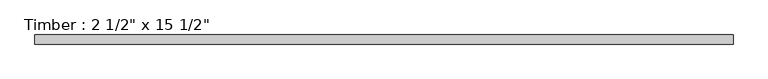
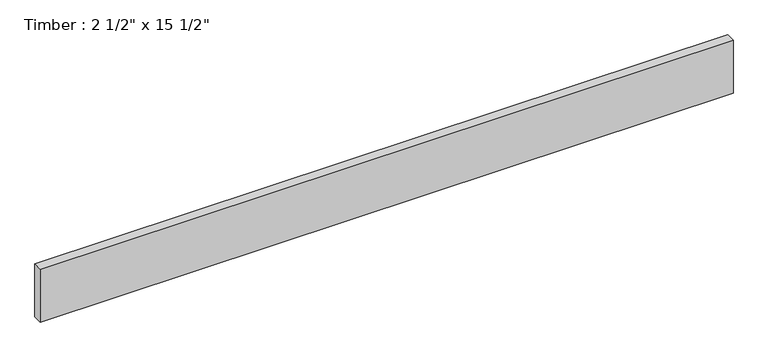
"""IFC4 building model written with IfcOpenShell, lengths in millimetres: beam geometry."""

from ifc_helpers import new_model, si_unit, frame, origin, place, context, project, spatial, polyline, outline, extrude, source, transform, mapped, element, save


def beam_1fbb2976(model_context):
    return source(origin(), model_context, "Body", "SweptSolid", [
        extrude(outline(polyline([(2436.8125, 31.75), (2436.8125, -31.75), (-2436.8125, -31.75), (-2436.8125, 31.75), (2436.8125, 31.75)])), frame((0.0, 0.0, -196.85), z_axis=(0.0, 0.0, 1.0), x_axis=(1.0, 0.0, 0.0)), (0.0, 0.0, 1.0), 393.7),
    ])


if __name__ == "__main__":
    model = new_model("IFC4")
    model_context = context("Model", 3, world=origin())
    ifc_project = project(units=[si_unit("LENGTHUNIT", "METRE", prefix="MILLI")], contexts=[model_context])
    site = spatial("IfcSite", under=ifc_project)
    building = spatial("IfcBuilding", under=site)
    placement = place(None, origin())
    beam_shape = beam_1fbb2976(model_context)
    element("IfcBeam", 1, ObjectType="Timber : 2 1/2\" x 15 1/2\"", at=placement, inside=building, context=model_context, shape_type="MappedRepresentation", body=[
        mapped(beam_shape, transform((0.0, 0.0, 0.0), x_axis=(1.0, 0.0, 0.0), y_axis=(0.0, 1.0, 0.0), z_axis=(0.0, 0.0, 1.0))),
    ])
    save(model, "model.ifc")
